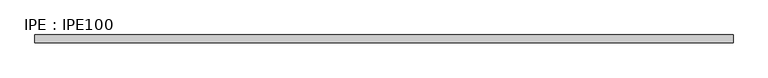
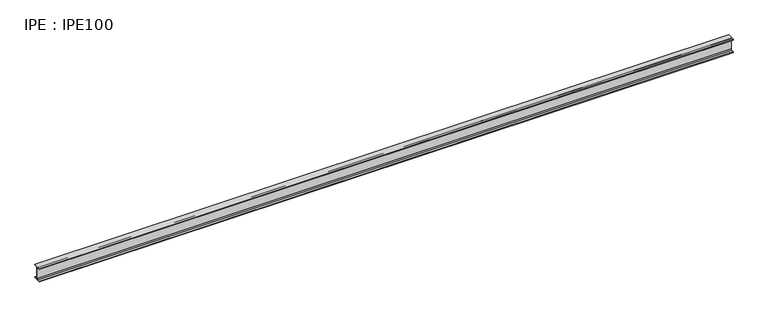
"""IFC4 building model written with IfcOpenShell, lengths in millimetres: beam geometry, IPE : IPE100."""

import ifcopenshell
import ifcopenshell.guid

model = None  # the IFC model being written
_history = None  # IfcOwnerHistory: only IFC2X3 demands one
_inside = {}  # id of a spatial element -> (the spatial element, [elements in it])
_under = {}  # id of a project, library or spatial element -> (it, [spatial elements below it])
_declared = {}  # id of a project -> (the project, [libraries it declares])
_typed = {}  # id of a type object -> (the type object, [elements of that type])
_made_of = {}  # id of a material, layer set ... -> (it, [elements and type objects made of it])


def new_model(schema):
    """Start an empty IFC model of exactly this schema.

    Asked for "IFC4X3", IfcOpenShell would pick the latest addendum, in which some entities
    have other attributes; the version numbers below select the first issue.
    IFC2X3 requires an IfcOwnerHistory on every rooted entity: one is made here for all.
    """
    global model, _history
    if schema == "IFC4X3":
        model = ifcopenshell.file(schema_version=(4, 3, 0, 0))
    else:
        model = ifcopenshell.file(schema=schema)
    _inside.clear()
    _under.clear()
    _declared.clear()
    _typed.clear()
    _made_of.clear()
    _history = None
    if model.schema == "IFC2X3":
        org = make("IfcOrganization", Name="unknown")
        user = make(
            "IfcPersonAndOrganization",
            ThePerson=make("IfcPerson", FamilyName="unknown"),
            TheOrganization=org,
        )
        app = make(
            "IfcApplication",
            ApplicationDeveloper=org,
            Version="unknown",
            ApplicationFullName="unknown",
            ApplicationIdentifier="unknown",
        )
        _history = make(
            "IfcOwnerHistory",
            OwningUser=user,
            OwningApplication=app,
            ChangeAction="ADDED",
            CreationDate=0,
        )
    return model


def make(cls, **values):
    """One entity of the class cls with the attributes given. An attribute that is None is left unset."""
    return model.create_entity(
        cls, **{name: value for name, value in values.items() if value is not None}
    )


def rooted(cls, **values):
    """An entity with a GlobalId (a new one), such as an element, a storey or a relation."""
    return make(cls, GlobalId=ifcopenshell.guid.new(), OwnerHistory=_history, **values)


def si_unit(unit_type, name, prefix=None):
    """IfcSIUnit, for example si_unit("LENGTHUNIT", "METRE", prefix="MILLI")."""
    return make("IfcSIUnit", UnitType=unit_type, Prefix=prefix, Name=name)


def assignment(units):
    """IfcUnitAssignment: the units of a project."""
    return None if units is None else make("IfcUnitAssignment", Units=units)


def point(xyz):
    """IfcCartesianPoint."""
    return None if xyz is None else make("IfcCartesianPoint", Coordinates=xyz)


def direction(xyz):
    """IfcDirection."""
    return None if xyz is None else make("IfcDirection", DirectionRatios=xyz)


def frame(location, z_axis=None, x_axis=None):
    """IfcAxis2Placement3D, a coordinate frame: its origin and axes. An axis left out is left unset."""
    return make(
        "IfcAxis2Placement3D",
        Location=point(location),
        Axis=direction(z_axis),
        RefDirection=direction(x_axis),
    )


def frame_2d(location, x_axis=None):
    """IfcAxis2Placement2D, a coordinate frame in the plane: its origin and x axis."""
    return make(
        "IfcAxis2Placement2D", Location=point(location), RefDirection=direction(x_axis)
    )


def origin():
    """The frame at (0, 0, 0) with its axes left unset."""
    return frame((0.0, 0.0, 0.0))


def place(relative_to, where):
    """IfcLocalPlacement: puts the frame where relative to a parent placement (None: the world)."""
    return make(
        "IfcLocalPlacement", PlacementRelTo=relative_to, RelativePlacement=where
    )


def context(
    kind, dimensions, precision=None, world=None, true_north=None, identifier=None
):
    """IfcGeometricRepresentationContext, for example the 3D "Model" context."""
    return make(
        "IfcGeometricRepresentationContext",
        ContextIdentifier=identifier,
        ContextType=kind,
        CoordinateSpaceDimension=dimensions,
        Precision=precision,
        WorldCoordinateSystem=world,
        TrueNorth=true_north,
    )


def project(units=None, contexts=None):
    """IfcProject with its units and contexts."""
    return rooted(
        "IfcProject",
        Name="project",
        RepresentationContexts=contexts,
        UnitsInContext=assignment(units),
    )


def spatial(cls, under=None, at=None, **own):
    """A site, building, storey or space (cls), placed at a placement, below another one or the project."""
    s = rooted(cls, ObjectPlacement=at, **own)
    if under is not None:
        _under.setdefault(under.id(), (under, []))[1].append(s)
    return s


def polyline(points):
    """IfcPolyline through the points."""
    return make("IfcPolyline", Points=[point(p) for p in points])


def circle_curve(where, radius):
    """IfcCircle in the frame where."""
    return make("IfcCircle", Position=where, Radius=radius)


def trimmed(basis, trim1, trim2, sense, master):
    """IfcTrimmedCurve: the piece of a basis curve between two trims."""
    return make(
        "IfcTrimmedCurve",
        BasisCurve=basis,
        Trim1=trim1,
        Trim2=trim2,
        SenseAgreement=sense,
        MasterRepresentation=master,
    )


def segment(curve, same_sense, transition):
    """IfcCompositeCurveSegment."""
    return make(
        "IfcCompositeCurveSegment",
        Transition=transition,
        SameSense=same_sense,
        ParentCurve=curve,
    )


def composite_curve(segments, self_intersect=None):
    """IfcCompositeCurve: segments joined end to end."""
    return make("IfcCompositeCurve", Segments=segments, SelfIntersect=self_intersect)


def outline(outer, holes=None, kind="AREA"):
    """IfcArbitraryClosedProfileDef: a profile drawn as a closed curve; with holes, ...WithVoids."""
    if holes is None:
        return make("IfcArbitraryClosedProfileDef", ProfileType=kind, OuterCurve=outer)
    return make(
        "IfcArbitraryProfileDefWithVoids",
        ProfileType=kind,
        OuterCurve=outer,
        InnerCurves=holes,
    )


def extrude(swept, where, along, depth):
    """IfcExtrudedAreaSolid: the profile swept, set in the frame where, extruded along a direction by depth."""
    return make(
        "IfcExtrudedAreaSolid",
        SweptArea=swept,
        Position=where,
        ExtrudedDirection=direction(along),
        Depth=depth,
    )


def shape(context_of_items, identifier, shape_type, items):
    """IfcShapeRepresentation: the items that make up one representation, for example the "Body"."""
    return make(
        "IfcShapeRepresentation",
        ContextOfItems=context_of_items,
        RepresentationIdentifier=identifier,
        RepresentationType=shape_type,
        Items=items,
    )


def source(mapping_origin, context_of_items, identifier, shape_type, items):
    """IfcRepresentationMap: a shape defined once, which mapped items show again and again."""
    return make(
        "IfcRepresentationMap",
        MappingOrigin=mapping_origin,
        MappedRepresentation=shape(context_of_items, identifier, shape_type, items),
    )


def transform(
    local_origin,
    x_axis=None,
    y_axis=None,
    z_axis=None,
    scale=None,
    scale2=None,
    scale3=None,
    uniform=True,
):
    """IfcCartesianTransformationOperator3D, or its non-uniform kind. x_axis, y_axis, z_axis: its Axis1, 2, 3."""
    if uniform:
        return make(
            "IfcCartesianTransformationOperator3D",
            Axis1=direction(x_axis),
            Axis2=direction(y_axis),
            LocalOrigin=point(local_origin),
            Scale=scale,
            Axis3=direction(z_axis),
        )
    return make(
        "IfcCartesianTransformationOperator3DnonUniform",
        Axis1=direction(x_axis),
        Axis2=direction(y_axis),
        LocalOrigin=point(local_origin),
        Scale=scale,
        Axis3=direction(z_axis),
        Scale2=scale2,
        Scale3=scale3,
    )


def mapped(mapping_source, mapping_target):
    """IfcMappedItem: shows the shape of a source again, moved by a transform."""
    return make(
        "IfcMappedItem", MappingSource=mapping_source, MappingTarget=mapping_target
    )


def made_of(thing, what):
    """Note that an element or type object is made of a material, layer set ...; save() writes the relation."""
    if what is not None:
        _made_of.setdefault(what.id(), (what, []))[1].append(thing)
    return thing


def element(
    cls,
    number,
    at=None,
    inside=None,
    cuts=None,
    type_object=None,
    material=None,
    context=None,
    identifier="Body",
    shape_type=None,
    held_by="IfcProductDefinitionShape",
    body=None,
    shapes=None,
    **own,
):
    """One element of the class cls, such as IfcWall. Its Tag is "e" and its number.

    at: its placement. inside: the storey or other place that contains it. cuts: it is an
    opening in that element (IfcRelVoidsElement). A single representation is given by context,
    identifier, shape_type and body (its items); several are given by shapes. held_by: the class
    of the entity that holds the representations. save() writes the other relations.
    """
    e = rooted(cls, Tag="e%d" % number, ObjectPlacement=at, **own)
    if body is not None:
        shapes = [shape(context, identifier, shape_type, body)]
    if shapes is not None:
        e.Representation = make(held_by, Representations=shapes)
    if inside is not None:
        _inside.setdefault(inside.id(), (inside, []))[1].append(e)
    if cuts is not None:
        rooted(
            "IfcRelVoidsElement", RelatingBuildingElement=cuts, RelatedOpeningElement=e
        )
    if type_object is not None:
        _typed.setdefault(type_object.id(), (type_object, []))[1].append(e)
    return made_of(e, material)


def aggregate(whole, parts):
    """IfcRelAggregates: a whole, such as a stair, and the parts it consists of."""
    return rooted("IfcRelAggregates", RelatingObject=whole, RelatedObjects=parts)


def save(model, path):
    """Write the relations noted so far, then the file.

    IfcRelAggregates (storeys below a building ...), IfcRelContainedInSpatialStructure (elements
    in a storey), IfcRelDefinesByType, IfcRelAssociatesMaterial and IfcRelDeclares: one each for
    every whole, place, type object, material and project.
    """
    for whole, parts in _under.values():
        aggregate(whole, parts)
    for where, things in _inside.values():
        rooted(
            "IfcRelContainedInSpatialStructure",
            RelatedElements=things,
            RelatingStructure=where,
        )
    for kind, things in _typed.values():
        rooted("IfcRelDefinesByType", RelatedObjects=things, RelatingType=kind)
    for what, things in _made_of.values():
        rooted("IfcRelAssociatesMaterial", RelatedObjects=things, RelatingMaterial=what)
    for by, libraries in _declared.values():
        rooted("IfcRelDeclares", RelatingContext=by, RelatedDefinitions=libraries)
    model.write(path)


def ipe_ipe100_8faa30dc(model_context):
    return source(origin(), model_context, "Body", "SweptSolid", [
        extrude(outline(composite_curve([segment(polyline([(27.5, -44.3), (27.5, -50.0), (-27.5, -50.0), (-27.5, -44.3), (-9.05, -44.3)]), True, "CONTINUOUS"), segment(trimmed(circle_curve(frame_2d((-9.05, -37.3)), 7.0), [point((-9.05, -44.3))], [point((-2.05, -37.3))], True, "CARTESIAN"), True, "CONTINUOUS"), segment(polyline([(-2.05, -37.3), (-2.05, 37.3)]), True, "CONTINUOUS"), segment(trimmed(circle_curve(frame_2d((-9.05, 37.3)), 7.0), [point((-2.05, 37.3))], [point((-9.05, 44.3))], True, "CARTESIAN"), True, "CONTINUOUS"), segment(polyline([(-9.05, 44.3), (-27.5, 44.3), (-27.5, 50.0), (27.5, 50.0), (27.5, 44.3), (9.05, 44.3)]), True, "CONTINUOUS"), segment(trimmed(circle_curve(frame_2d((9.05, 37.3)), 7.0), [point((9.05, 44.3))], [point((2.05, 37.3))], True, "CARTESIAN"), True, "CONTINUOUS"), segment(polyline([(2.05, 37.3), (2.05, -37.3)]), True, "CONTINUOUS"), segment(trimmed(circle_curve(frame_2d((9.05, -37.3)), 7.0), [point((2.05, -37.3))], [point((9.05, -44.3))], True, "CARTESIAN"), True, "CONTINUOUS"), segment(polyline([(9.05, -44.3), (27.5, -44.3)]), True, "CONTINUOUS")], self_intersect=False)), frame((-2446.85, 0.0, 0.0), z_axis=(1.0, 0.0, 0.0), x_axis=(0.0, 1.0, 0.0)), (0.0, 0.0, 1.0), 4917.0),
    ])


if __name__ == "__main__":
    model = new_model("IFC4")
    model_context = context("Model", 3, world=origin())
    ifc_project = project(units=[si_unit("LENGTHUNIT", "METRE", prefix="MILLI")], contexts=[model_context])
    site = spatial("IfcSite", under=ifc_project)
    building = spatial("IfcBuilding", under=site)
    placement = place(None, origin())
    ipe_ipe100_shape = ipe_ipe100_8faa30dc(model_context)
    element("IfcBeam", 1, ObjectType="IPE : IPE100", at=placement, inside=building, context=model_context, shape_type="MappedRepresentation", body=[
        mapped(ipe_ipe100_shape, transform((0.0, 0.0, 0.0), x_axis=(1.0, 0.0, 0.0), y_axis=(0.0, 1.0, 0.0), z_axis=(0.0, 0.0, 1.0))),
    ])
    save(model, "model.ifc")
